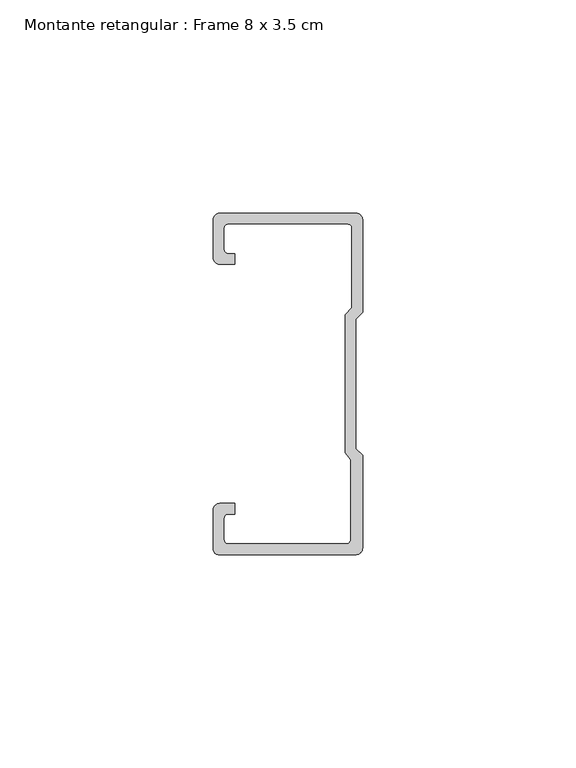
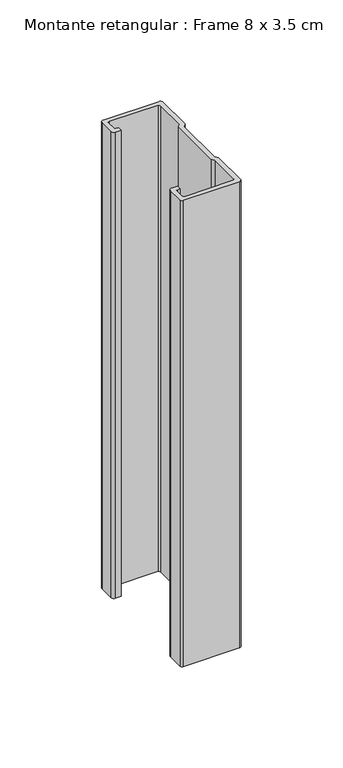
"""IFC4 building model written with IfcOpenShell, lengths in millimetres: member geometry, Montante retangular : Frame 8 x 3.5 cm."""

from ifc_helpers import new_model, si_unit, point, frame, frame_2d, origin, place, context, project, spatial, polyline, circle_curve, trimmed, segment, composite_curve, outline, extrude, source, transform, mapped, element, save


def montante_retangular_frame_8_x_3_5_cm_d7e713e6(model_context):
    return source(origin(), model_context, "Body", "SweptSolid", [
        extrude(outline(composite_curve([segment(polyline([(-35.0, 29.5276505), (-35.0, 38.5)]), True, "CONTINUOUS"), segment(trimmed(circle_curve(frame_2d((-33.5, 38.5)), 1.5), [point((-35.0, 38.5))], [point((-33.5, 40.0))], False, "CARTESIAN"), True, "CONTINUOUS"), segment(polyline([(-33.5, 40.0), (-1.5, 40.0)]), True, "CONTINUOUS"), segment(trimmed(circle_curve(frame_2d((-1.5, 38.5)), 1.5), [point((-1.5, 40.0))], [point((0.0, 38.5))], False, "CARTESIAN"), True, "CONTINUOUS"), segment(polyline([(0.0, 38.5), (0.0, 16.7622662), (-1.5877131, 15.174553), (-1.5877131, -15.174553), (0.0, -16.7622662), (0.0, -38.5)]), True, "CONTINUOUS"), segment(trimmed(circle_curve(frame_2d((-1.5, -38.5)), 1.5), [point((0.0, -38.5))], [point((-1.5, -40.0))], False, "CARTESIAN"), True, "CONTINUOUS"), segment(polyline([(-1.5, -40.0), (-33.8171833, -40.0)]), True, "CONTINUOUS"), segment(trimmed(circle_curve(frame_2d((-33.8171833, -38.8171833)), 1.1828167), [point((-33.8171833, -40.0))], [point((-35.0, -38.8171833))], False, "CARTESIAN"), True, "CONTINUOUS"), segment(polyline([(-35.0, -38.8171833), (-35.0, -29.5276505)]), True, "CONTINUOUS"), segment(trimmed(circle_curve(frame_2d((-33.5, -29.5276505)), 1.5), [point((-35.0, -29.5276505))], [point((-33.5, -28.0276505))], False, "CARTESIAN"), True, "CONTINUOUS"), segment(polyline([(-33.5, -28.0276505), (-30.0162256, -28.0276505), (-30.0162256, -30.5276505), (-31.5, -30.5276505)]), True, "CONTINUOUS"), segment(trimmed(circle_curve(frame_2d((-31.5, -31.5276505)), 1.0), [point((-31.5, -30.5276505))], [point((-32.5, -31.5276505))], True, "CARTESIAN"), True, "CONTINUOUS"), segment(polyline([(-32.5, -31.5276505), (-32.5, -36.5)]), True, "CONTINUOUS"), segment(trimmed(circle_curve(frame_2d((-31.5, -36.5)), 1.0), [point((-32.5, -36.5))], [point((-31.5, -37.5))], True, "CARTESIAN"), True, "CONTINUOUS"), segment(polyline([(-31.5, -37.5), (-3.807214, -37.5)]), True, "CONTINUOUS"), segment(trimmed(circle_curve(frame_2d((-3.807214, -36.5)), 1.0), [point((-3.807214, -37.5))], [point((-2.807214, -36.5))], True, "CARTESIAN"), True, "CONTINUOUS"), segment(polyline([(-2.807214, -36.5), (-2.807214, -17.7671948), (-4.0877131, -16.1794816), (-4.0877131, 16.2100869), (-2.5, 17.7978001), (-2.5, 36.5)]), True, "CONTINUOUS"), segment(trimmed(circle_curve(frame_2d((-3.5, 36.5)), 1.0), [point((-2.5, 36.5))], [point((-3.5, 37.5))], True, "CARTESIAN"), True, "CONTINUOUS"), segment(polyline([(-3.5, 37.5), (-31.5, 37.5)]), True, "CONTINUOUS"), segment(trimmed(circle_curve(frame_2d((-31.5, 36.5)), 1.0), [point((-31.5, 37.5))], [point((-32.5, 36.5))], True, "CARTESIAN"), True, "CONTINUOUS"), segment(polyline([(-32.5, 36.5), (-32.5, 31.5276505)]), True, "CONTINUOUS"), segment(trimmed(circle_curve(frame_2d((-31.5, 31.5276505)), 1.0), [point((-32.5, 31.5276505))], [point((-31.5, 30.5276505))], True, "CARTESIAN"), True, "CONTINUOUS"), segment(polyline([(-31.5, 30.5276505), (-30.0162256, 30.5276505), (-30.0162256, 28.0276505), (-33.5, 28.0276505)]), True, "CONTINUOUS"), segment(trimmed(circle_curve(frame_2d((-33.5, 29.5276505)), 1.5), [point((-33.5, 28.0276505))], [point((-35.0, 29.5276505))], False, "CARTESIAN"), True, "CONTINUOUS")], self_intersect=False)), frame((0.0, 0.0, -282.5), z_axis=(0.0, 0.0, 1.0), x_axis=(1.0, 0.0, 0.0)), (0.0, 0.0, 1.0), 282.5),
    ])


if __name__ == "__main__":
    model = new_model("IFC4")
    model_context = context("Model", 3, world=origin())
    ifc_project = project(units=[si_unit("LENGTHUNIT", "METRE", prefix="MILLI")], contexts=[model_context])
    site = spatial("IfcSite", under=ifc_project)
    building = spatial("IfcBuilding", under=site)
    placement = place(None, origin())
    montante_retangular_frame_8_x_3_5_cm_shape = montante_retangular_frame_8_x_3_5_cm_d7e713e6(model_context)
    element("IfcMember", 1, ObjectType="Montante retangular : Frame 8 x 3.5 cm", at=placement, inside=building, context=model_context, shape_type="MappedRepresentation", body=[
        mapped(montante_retangular_frame_8_x_3_5_cm_shape, transform((0.0, 0.0, 0.0), x_axis=(1.0, 0.0, 0.0), y_axis=(0.0, 1.0, 0.0), z_axis=(0.0, 0.0, 1.0))),
    ])
    save(model, "model.ifc")
